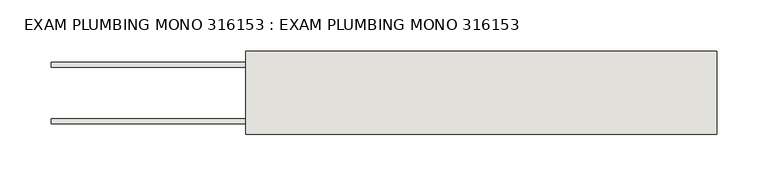
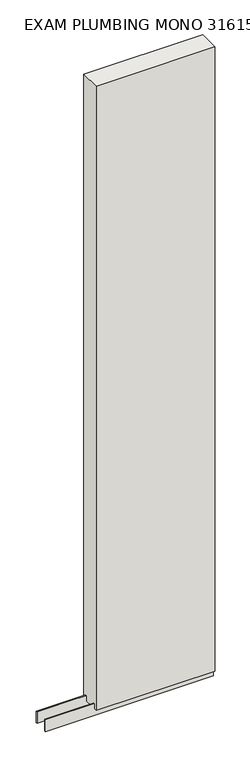
"""IFC4 building model written with IfcOpenShell, lengths in millimetres: wall geometry, EXAM PLUMBING MONO 316153 : EXAM PLUMBING MONO 316153."""

from ifc_helpers import new_model, si_unit, frame, origin, place, context, project, spatial, polyline, outline, extrude, source, transform, mapped, element, save


def exam_plumbing_mono_316153_exam_plumbing_mono_316153_2ef45784(model_context):
    return source(origin(), model_context, "Body", "SweptSolid", [
        extrude(outline(polyline([(75295.855504, -53335.9245954), (75293.315504, -53335.9245954), (75293.315504, -53333.3845954), (75295.855504, -53333.3845954), (75295.855504, -53335.9245954)])), frame((0.0, 0.0, 4419.6), z_axis=(0.0, 0.0, 1.0), x_axis=(1.0, 0.0, 0.0)), (0.0, 0.0, 1.0), 2.54),
        extrude(outline(polyline([(75754.203965, -53309.5708508), (75102.820457, -53309.5708508), (75102.820457, -53304.4920954), (75754.203965, -53304.4920954), (75754.203965, -53309.5708508)])), frame((0.0, 0.0, 4418.6602), z_axis=(0.0, 0.0, 1.0), x_axis=(1.0, 0.0, 0.0)), (0.0, 0.0, 1.0), 47.625),
        extrude(outline(polyline([(75754.203965, -53309.5708508), (75102.820457, -53309.5708508), (75102.820457, -53304.4920954), (75754.203965, -53304.4920954), (75754.203965, -53309.5708508)])), frame((0.0, 0.0, 4418.6602), z_axis=(0.0, 0.0, 1.0), x_axis=(1.0, 0.0, 0.0)), (0.0, 0.0, 1.0), 47.625),
        extrude(outline(polyline([(75102.820457, -53359.73834), (75754.203965, -53359.73834), (75754.203965, -53364.8170954), (75102.820457, -53364.8170954), (75102.820457, -53359.73834)])), frame((0.0, 0.0, 4418.6602), z_axis=(0.0, 0.0, 1.0), x_axis=(1.0, 0.0, 0.0)), (0.0, 0.0, 1.0), 47.625),
        extrude(outline(polyline([(75102.820457, -53359.73834), (75754.203965, -53359.73834), (75754.203965, -53364.8170954), (75102.820457, -53364.8170954), (75102.820457, -53359.73834)])), frame((0.0, 0.0, 4418.6602), z_axis=(0.0, 0.0, 1.0), x_axis=(1.0, 0.0, 0.0)), (0.0, 0.0, 1.0), 47.625),
        extrude(outline(polyline([(75754.203965, -53293.999711), (75754.203965, -53375.3032822), (75293.320457, -53375.3032822), (75293.320457, -53293.999711), (75754.203965, -53293.999711)])), frame((0.0, 0.0, 4445.0), z_axis=(0.0, 0.0, 1.0), x_axis=(1.0, 0.0, 0.0)), (0.0, 0.0, 1.0), 2562.4536762),
    ])


if __name__ == "__main__":
    model = new_model("IFC4")
    model_context = context("Model", 3, world=origin())
    ifc_project = project(units=[si_unit("LENGTHUNIT", "METRE", prefix="MILLI")], contexts=[model_context])
    site = spatial("IfcSite", under=ifc_project)
    building = spatial("IfcBuilding", under=site)
    placement = place(None, origin())
    exam_plumbing_mono_316153_exam_plumbing_mono_316153_shape = exam_plumbing_mono_316153_exam_plumbing_mono_316153_2ef45784(model_context)
    element("IfcWall", 1, ObjectType="EXAM PLUMBING MONO 316153 : EXAM PLUMBING MONO 316153", at=placement, inside=building, context=model_context, shape_type="MappedRepresentation", body=[
        mapped(exam_plumbing_mono_316153_exam_plumbing_mono_316153_shape, transform((0.0, 0.0, 0.0), x_axis=(1.0, 0.0, 0.0), y_axis=(0.0, 1.0, 0.0), z_axis=(0.0, 0.0, 1.0))),
    ])
    save(model, "model.ifc")
